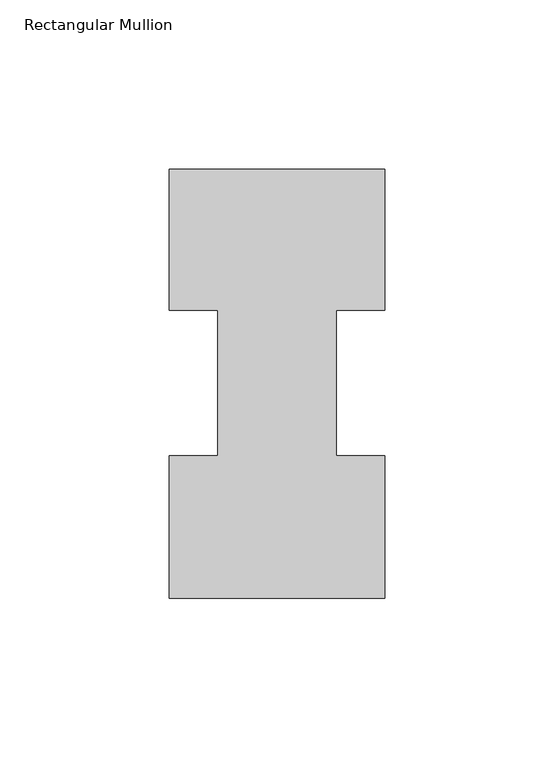
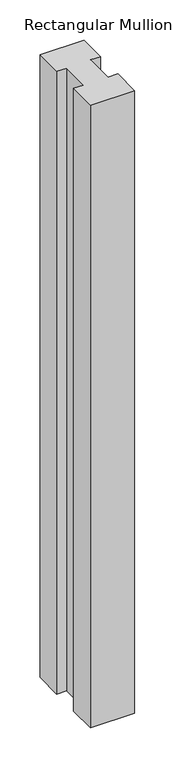
"""IFC4 building model written with IfcOpenShell, lengths in millimetres: member geometry, Rectangular Mullion."""

from ifc_helpers import new_model, si_unit, frame, origin, place, context, project, spatial, polyline, outline, extrude, source, transform, mapped, element, save


def rectangular_mullion_030e5ba2(model_context):
    return source(origin(), model_context, "Body", "SweptSolid", [
        extrude(outline(polyline([(0.0, 126.7348875), (0.0, 85.1296875), (-14.2748, 85.1296875), (-14.2748, 42.2798875), (0.0, 42.2798875), (0.0, 0.2428875), (-63.5, 0.2428875), (-63.5, 42.2798875), (-49.2125, 42.2798875), (-49.2125, 85.1296875), (-63.5, 85.1296875), (-63.5, 126.7348875), (0.0, 126.7348875)])), frame((0.0, 0.0, -947.708925), z_axis=(0.0, 0.0, 1.0), x_axis=(1.0, 0.0, 0.0)), (0.0, 0.0, 1.0), 947.708925),
    ])


if __name__ == "__main__":
    model = new_model("IFC4")
    model_context = context("Model", 3, world=origin())
    ifc_project = project(units=[si_unit("LENGTHUNIT", "METRE", prefix="MILLI")], contexts=[model_context])
    site = spatial("IfcSite", under=ifc_project)
    building = spatial("IfcBuilding", under=site)
    placement = place(None, origin())
    rectangular_mullion_shape = rectangular_mullion_030e5ba2(model_context)
    element("IfcMember", 1, ObjectType="Rectangular Mullion", at=placement, inside=building, context=model_context, shape_type="MappedRepresentation", body=[
        mapped(rectangular_mullion_shape, transform((0.0, 0.0, 0.0), x_axis=(1.0, 0.0, 0.0), y_axis=(0.0, 1.0, 0.0), z_axis=(0.0, 0.0, 1.0))),
    ])
    save(model, "model.ifc")
